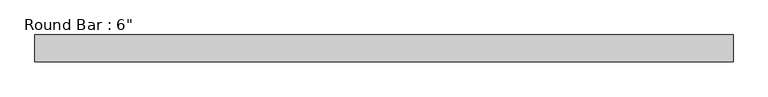
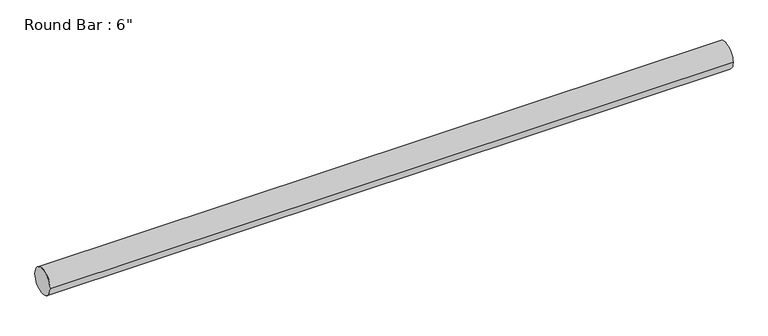
"""IFC4 building model written with IfcOpenShell, lengths in millimetres: beam geometry."""

import ifcopenshell
import ifcopenshell.guid

model = None  # the IFC model being written
_history = None  # IfcOwnerHistory: only IFC2X3 demands one
_inside = {}  # id of a spatial element -> (the spatial element, [elements in it])
_under = {}  # id of a project, library or spatial element -> (it, [spatial elements below it])
_declared = {}  # id of a project -> (the project, [libraries it declares])
_typed = {}  # id of a type object -> (the type object, [elements of that type])
_made_of = {}  # id of a material, layer set ... -> (it, [elements and type objects made of it])


def new_model(schema):
    """Start an empty IFC model of exactly this schema.

    Asked for "IFC4X3", IfcOpenShell would pick the latest addendum, in which some entities
    have other attributes; the version numbers below select the first issue.
    IFC2X3 requires an IfcOwnerHistory on every rooted entity: one is made here for all.
    """
    global model, _history
    if schema == "IFC4X3":
        model = ifcopenshell.file(schema_version=(4, 3, 0, 0))
    else:
        model = ifcopenshell.file(schema=schema)
    _inside.clear()
    _under.clear()
    _declared.clear()
    _typed.clear()
    _made_of.clear()
    _history = None
    if model.schema == "IFC2X3":
        org = make("IfcOrganization", Name="unknown")
        user = make(
            "IfcPersonAndOrganization",
            ThePerson=make("IfcPerson", FamilyName="unknown"),
            TheOrganization=org,
        )
        app = make(
            "IfcApplication",
            ApplicationDeveloper=org,
            Version="unknown",
            ApplicationFullName="unknown",
            ApplicationIdentifier="unknown",
        )
        _history = make(
            "IfcOwnerHistory",
            OwningUser=user,
            OwningApplication=app,
            ChangeAction="ADDED",
            CreationDate=0,
        )
    return model


def make(cls, **values):
    """One entity of the class cls with the attributes given. An attribute that is None is left unset."""
    return model.create_entity(
        cls, **{name: value for name, value in values.items() if value is not None}
    )


def rooted(cls, **values):
    """An entity with a GlobalId (a new one), such as an element, a storey or a relation."""
    return make(cls, GlobalId=ifcopenshell.guid.new(), OwnerHistory=_history, **values)


def si_unit(unit_type, name, prefix=None):
    """IfcSIUnit, for example si_unit("LENGTHUNIT", "METRE", prefix="MILLI")."""
    return make("IfcSIUnit", UnitType=unit_type, Prefix=prefix, Name=name)


def assignment(units):
    """IfcUnitAssignment: the units of a project."""
    return None if units is None else make("IfcUnitAssignment", Units=units)


def point(xyz):
    """IfcCartesianPoint."""
    return None if xyz is None else make("IfcCartesianPoint", Coordinates=xyz)


def direction(xyz):
    """IfcDirection."""
    return None if xyz is None else make("IfcDirection", DirectionRatios=xyz)


def frame(location, z_axis=None, x_axis=None):
    """IfcAxis2Placement3D, a coordinate frame: its origin and axes. An axis left out is left unset."""
    return make(
        "IfcAxis2Placement3D",
        Location=point(location),
        Axis=direction(z_axis),
        RefDirection=direction(x_axis),
    )


def frame_2d(location, x_axis=None):
    """IfcAxis2Placement2D, a coordinate frame in the plane: its origin and x axis."""
    return make(
        "IfcAxis2Placement2D", Location=point(location), RefDirection=direction(x_axis)
    )


def origin():
    """The frame at (0, 0, 0) with its axes left unset."""
    return frame((0.0, 0.0, 0.0))


def origin_2d():
    """The frame at (0, 0) in the plane with its x axis left unset."""
    return frame_2d((0.0, 0.0))


def place(relative_to, where):
    """IfcLocalPlacement: puts the frame where relative to a parent placement (None: the world)."""
    return make(
        "IfcLocalPlacement", PlacementRelTo=relative_to, RelativePlacement=where
    )


def context(
    kind, dimensions, precision=None, world=None, true_north=None, identifier=None
):
    """IfcGeometricRepresentationContext, for example the 3D "Model" context."""
    return make(
        "IfcGeometricRepresentationContext",
        ContextIdentifier=identifier,
        ContextType=kind,
        CoordinateSpaceDimension=dimensions,
        Precision=precision,
        WorldCoordinateSystem=world,
        TrueNorth=true_north,
    )


def project(units=None, contexts=None):
    """IfcProject with its units and contexts."""
    return rooted(
        "IfcProject",
        Name="project",
        RepresentationContexts=contexts,
        UnitsInContext=assignment(units),
    )


def spatial(cls, under=None, at=None, **own):
    """A site, building, storey or space (cls), placed at a placement, below another one or the project."""
    s = rooted(cls, ObjectPlacement=at, **own)
    if under is not None:
        _under.setdefault(under.id(), (under, []))[1].append(s)
    return s


def circle_curve(where, radius):
    """IfcCircle in the frame where."""
    return make("IfcCircle", Position=where, Radius=radius)


def trimmed(basis, trim1, trim2, sense, master):
    """IfcTrimmedCurve: the piece of a basis curve between two trims."""
    return make(
        "IfcTrimmedCurve",
        BasisCurve=basis,
        Trim1=trim1,
        Trim2=trim2,
        SenseAgreement=sense,
        MasterRepresentation=master,
    )


def segment(curve, same_sense, transition):
    """IfcCompositeCurveSegment."""
    return make(
        "IfcCompositeCurveSegment",
        Transition=transition,
        SameSense=same_sense,
        ParentCurve=curve,
    )


def composite_curve(segments, self_intersect=None):
    """IfcCompositeCurve: segments joined end to end."""
    return make("IfcCompositeCurve", Segments=segments, SelfIntersect=self_intersect)


def outline(outer, holes=None, kind="AREA"):
    """IfcArbitraryClosedProfileDef: a profile drawn as a closed curve; with holes, ...WithVoids."""
    if holes is None:
        return make("IfcArbitraryClosedProfileDef", ProfileType=kind, OuterCurve=outer)
    return make(
        "IfcArbitraryProfileDefWithVoids",
        ProfileType=kind,
        OuterCurve=outer,
        InnerCurves=holes,
    )


def extrude(swept, where, along, depth):
    """IfcExtrudedAreaSolid: the profile swept, set in the frame where, extruded along a direction by depth."""
    return make(
        "IfcExtrudedAreaSolid",
        SweptArea=swept,
        Position=where,
        ExtrudedDirection=direction(along),
        Depth=depth,
    )


def shape(context_of_items, identifier, shape_type, items):
    """IfcShapeRepresentation: the items that make up one representation, for example the "Body"."""
    return make(
        "IfcShapeRepresentation",
        ContextOfItems=context_of_items,
        RepresentationIdentifier=identifier,
        RepresentationType=shape_type,
        Items=items,
    )


def source(mapping_origin, context_of_items, identifier, shape_type, items):
    """IfcRepresentationMap: a shape defined once, which mapped items show again and again."""
    return make(
        "IfcRepresentationMap",
        MappingOrigin=mapping_origin,
        MappedRepresentation=shape(context_of_items, identifier, shape_type, items),
    )


def transform(
    local_origin,
    x_axis=None,
    y_axis=None,
    z_axis=None,
    scale=None,
    scale2=None,
    scale3=None,
    uniform=True,
):
    """IfcCartesianTransformationOperator3D, or its non-uniform kind. x_axis, y_axis, z_axis: its Axis1, 2, 3."""
    if uniform:
        return make(
            "IfcCartesianTransformationOperator3D",
            Axis1=direction(x_axis),
            Axis2=direction(y_axis),
            LocalOrigin=point(local_origin),
            Scale=scale,
            Axis3=direction(z_axis),
        )
    return make(
        "IfcCartesianTransformationOperator3DnonUniform",
        Axis1=direction(x_axis),
        Axis2=direction(y_axis),
        LocalOrigin=point(local_origin),
        Scale=scale,
        Axis3=direction(z_axis),
        Scale2=scale2,
        Scale3=scale3,
    )


def mapped(mapping_source, mapping_target):
    """IfcMappedItem: shows the shape of a source again, moved by a transform."""
    return make(
        "IfcMappedItem", MappingSource=mapping_source, MappingTarget=mapping_target
    )


def made_of(thing, what):
    """Note that an element or type object is made of a material, layer set ...; save() writes the relation."""
    if what is not None:
        _made_of.setdefault(what.id(), (what, []))[1].append(thing)
    return thing


def element(
    cls,
    number,
    at=None,
    inside=None,
    cuts=None,
    type_object=None,
    material=None,
    context=None,
    identifier="Body",
    shape_type=None,
    held_by="IfcProductDefinitionShape",
    body=None,
    shapes=None,
    **own,
):
    """One element of the class cls, such as IfcWall. Its Tag is "e" and its number.

    at: its placement. inside: the storey or other place that contains it. cuts: it is an
    opening in that element (IfcRelVoidsElement). A single representation is given by context,
    identifier, shape_type and body (its items); several are given by shapes. held_by: the class
    of the entity that holds the representations. save() writes the other relations.
    """
    e = rooted(cls, Tag="e%d" % number, ObjectPlacement=at, **own)
    if body is not None:
        shapes = [shape(context, identifier, shape_type, body)]
    if shapes is not None:
        e.Representation = make(held_by, Representations=shapes)
    if inside is not None:
        _inside.setdefault(inside.id(), (inside, []))[1].append(e)
    if cuts is not None:
        rooted(
            "IfcRelVoidsElement", RelatingBuildingElement=cuts, RelatedOpeningElement=e
        )
    if type_object is not None:
        _typed.setdefault(type_object.id(), (type_object, []))[1].append(e)
    return made_of(e, material)


def aggregate(whole, parts):
    """IfcRelAggregates: a whole, such as a stair, and the parts it consists of."""
    return rooted("IfcRelAggregates", RelatingObject=whole, RelatedObjects=parts)


def save(model, path):
    """Write the relations noted so far, then the file.

    IfcRelAggregates (storeys below a building ...), IfcRelContainedInSpatialStructure (elements
    in a storey), IfcRelDefinesByType, IfcRelAssociatesMaterial and IfcRelDeclares: one each for
    every whole, place, type object, material and project.
    """
    for whole, parts in _under.values():
        aggregate(whole, parts)
    for where, things in _inside.values():
        rooted(
            "IfcRelContainedInSpatialStructure",
            RelatedElements=things,
            RelatingStructure=where,
        )
    for kind, things in _typed.values():
        rooted("IfcRelDefinesByType", RelatedObjects=things, RelatingType=kind)
    for what, things in _made_of.values():
        rooted("IfcRelAssociatesMaterial", RelatedObjects=things, RelatingMaterial=what)
    for by, libraries in _declared.values():
        rooted("IfcRelDeclares", RelatingContext=by, RelatedDefinitions=libraries)
    model.write(path)


def beam_6883e24c(model_context):
    return source(origin(), model_context, "Body", "SweptSolid", [
        extrude(outline(composite_curve([segment(trimmed(circle_curve(origin_2d(), 76.2), [point((76.2, 0.0))], [point((-76.2, 0.0))], False, "CARTESIAN"), True, "CONTINUOUS"), segment(trimmed(circle_curve(origin_2d(), 76.2), [point((-76.2, 0.0))], [point((76.2, 0.0))], False, "CARTESIAN"), True, "CONTINUOUS")], self_intersect=False)), frame((-1995.1378247, 0.0, 0.0), z_axis=(1.0, 0.0, 0.0), x_axis=(0.0, 1.0, 0.0)), (0.0, 0.0, 1.0), 3969.466567),
    ])


if __name__ == "__main__":
    model = new_model("IFC4")
    model_context = context("Model", 3, world=origin())
    ifc_project = project(units=[si_unit("LENGTHUNIT", "METRE", prefix="MILLI")], contexts=[model_context])
    site = spatial("IfcSite", under=ifc_project)
    building = spatial("IfcBuilding", under=site)
    placement = place(None, origin())
    beam_shape = beam_6883e24c(model_context)
    element("IfcBeam", 1, ObjectType="Round Bar : 6\"", at=placement, inside=building, context=model_context, shape_type="MappedRepresentation", body=[
        mapped(beam_shape, transform((0.0, 0.0, 0.0), x_axis=(1.0, 0.0, 0.0), y_axis=(0.0, 1.0, 0.0), z_axis=(0.0, 0.0, 1.0))),
    ])
    save(model, "model.ifc")
